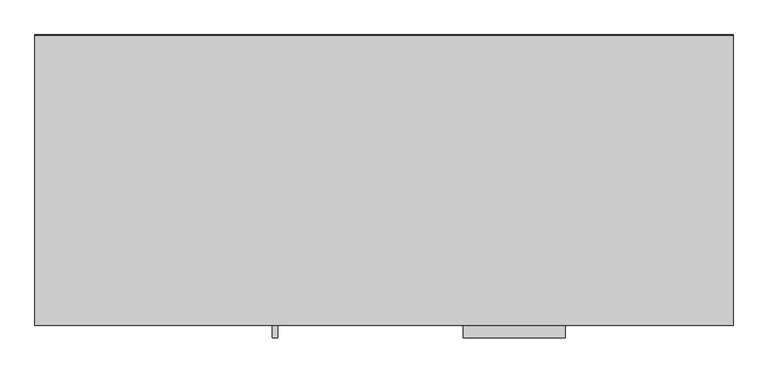
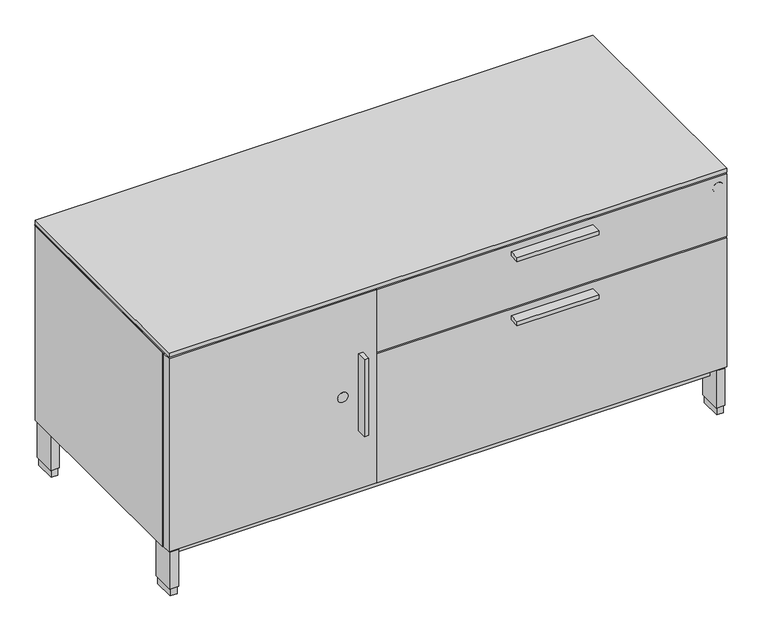
"""IFC4 building model written with IfcOpenShell, lengths in millimetres: furniture geometry."""

from ifc_helpers import new_model, si_unit, point, frame, frame_2d, origin, origin_with_axes, place, context, project, spatial, polyline, circle_curve, trimmed, segment, composite_curve, outline, extrude, faceted_brep, source, transform, mapped, element, save


def furniture_656dd87c(model_context):
    return source(origin(), model_context, "Body", "SolidModel", [
        extrude(outline(polyline([(414.782, -528.574), (414.782, -506.349), (424.307, -506.349), (424.307, -528.574), (414.782, -528.574)])), frame((0.0, 0.0, 239.6362939), z_axis=(0.0, 0.0, 1.0), x_axis=(1.0, 0.0, 0.0)), (0.0, 0.0, 1.0), 177.8),
        extrude(outline(polyline([(925.5125, -528.574), (747.7125, -528.574), (747.7125, -506.349), (925.5125, -506.349), (925.5125, -528.574)])), frame((0.0, 0.0, 379.09246), z_axis=(0.0, 0.0, 1.0), x_axis=(1.0, 0.0, 0.0)), (0.0, 0.0, 1.0), 9.525),
        extrude(outline(polyline([(925.5125, -528.574), (747.7125, -528.574), (747.7125, -506.349), (925.5125, -506.349), (925.5125, -528.574)])), frame((0.0, 0.0, 526.53946), z_axis=(0.0, 0.0, 1.0), x_axis=(1.0, 0.0, 0.0)), (0.0, 0.0, 1.0), 9.525),
        extrude(outline(polyline([(1.5875, 0.0), (1217.6125, 0.0), (1217.6125, -487.299), (1.5875, -487.299), (1.5875, 0.0)])), frame((0.0, 0.0, 550.8752), z_axis=(0.0, 0.0, 1.0), x_axis=(1.0, 0.0, 0.0)), (0.0, 0.0, 1.0), 1.8899126),
        extrude(outline(polyline([(21.2979, -5.715), (21.2979, -52.197), (6.5659, -52.197), (6.5659, -5.715), (21.2979, -5.715)])), origin_with_axes(), (0.0, 0.0, 1.0), 17.399),
        extrude(outline(polyline([(21.2979, -455.676), (21.2979, -502.158), (6.5659, -502.158), (6.5659, -455.676), (21.2979, -455.676)])), origin_with_axes(), (0.0, 0.0, 1.0), 17.399),
        extrude(outline(polyline([(1212.6341, -455.676), (1212.6341, -502.158), (1197.9021, -502.158), (1197.9021, -455.676), (1212.6341, -455.676)])), origin_with_axes(), (0.0, 0.0, 1.0), 17.399),
        extrude(outline(polyline([(1212.6341, -5.715), (1212.6341, -52.197), (1197.9021, -52.197), (1197.9021, -5.715), (1212.6341, -5.715)])), origin_with_axes(), (0.0, 0.0, 1.0), 17.399),
        extrude(outline(polyline([(23.4569, -3.556), (23.4569, -54.356), (4.4069, -54.356), (4.4069, -3.556), (23.4569, -3.556)])), frame((0.0, 0.0, 17.399), z_axis=(0.0, 0.0, 1.0), x_axis=(1.0, 0.0, 0.0)), (0.0, 0.0, 1.0), 85.8012),
        extrude(outline(polyline([(1214.7931, -3.556), (1214.7931, -54.356), (1195.7431, -54.356), (1195.7431, -3.556), (1214.7931, -3.556)])), frame((0.0, 0.0, 17.399), z_axis=(0.0, 0.0, 1.0), x_axis=(1.0, 0.0, 0.0)), (0.0, 0.0, 1.0), 85.8012),
        extrude(outline(polyline([(1214.7931, -453.517), (1214.7931, -504.317), (1195.7431, -504.317), (1195.7431, -453.517), (1214.7931, -453.517)])), frame((0.0, 0.0, 17.399), z_axis=(0.0, 0.0, 1.0), x_axis=(1.0, 0.0, 0.0)), (0.0, 0.0, 1.0), 85.8012),
        extrude(outline(polyline([(23.4569, -453.517), (23.4569, -504.317), (4.4069, -504.317), (4.4069, -453.517), (23.4569, -453.517)])), frame((0.0, 0.0, 17.399), z_axis=(0.0, 0.0, 1.0), x_axis=(1.0, 0.0, 0.0)), (0.0, 0.0, 1.0), 85.8012),
        extrude(outline(polyline([(1195.7431, -26.99766), (1195.7431, -480.87534), (23.4569, -480.87534), (23.4569, -26.99766), (1195.7431, -26.99766)])), frame((0.0, 0.0, 77.8002), z_axis=(0.0, 0.0, 1.0), x_axis=(1.0, 0.0, 0.0)), (0.0, 0.0, 1.0), 25.4),
        extrude(outline(composite_curve([segment(trimmed(circle_curve(frame_2d((329.3237, 380.5936)), 11.176), [point((329.3237, 369.4176))], [point((329.3237, 391.7696))], False, "CARTESIAN"), True, "CONTINUOUS"), segment(trimmed(circle_curve(frame_2d((329.3237, 380.5936)), 11.176), [point((329.3237, 391.7696))], [point((329.3237, 369.4176))], False, "CARTESIAN"), True, "CONTINUOUS")], self_intersect=False)), frame((0.0, -506.603, 0.0), z_axis=(0.0, 1.0, 0.0), x_axis=(0.0, 0.0, 1.0)), (0.0, 0.0, 1.0), 4.69392),
        extrude(outline(polyline([(1.5875, -487.045), (454.025, -487.045), (454.025, -506.349), (1.5875, -506.349), (1.5875, -487.045)])), frame((0.0, 0.0, 106.3752), z_axis=(0.0, 0.0, 1.0), x_axis=(1.0, 0.0, 0.0)), (0.0, 0.0, 1.0), 444.5),
        extrude(outline(polyline([(1217.6125, -487.045), (1217.6125, -506.349), (455.6125, -506.349), (455.6125, -487.045), (1217.6125, -487.045)])), frame((0.0, 0.0, 106.3752), z_axis=(0.0, 0.0, 1.0), x_axis=(1.0, 0.0, 0.0)), (0.0, 0.0, 1.0), 297.053),
        extrude(outline(polyline([(1217.6125, -487.045), (1217.6125, -506.349), (455.6125, -506.349), (455.6125, -487.045), (1217.6125, -487.045)])), frame((0.0, 0.0, 406.6032), z_axis=(0.0, 0.0, 1.0), x_axis=(1.0, 0.0, 0.0)), (0.0, 0.0, 1.0), 144.272),
        extrude(outline(composite_curve([segment(trimmed(circle_curve(frame_2d((526.81632, 1198.5625)), 11.176), [point((526.81632, 1209.7385))], [point((526.81632, 1187.3865))], False, "CARTESIAN"), True, "CONTINUOUS"), segment(trimmed(circle_curve(frame_2d((526.81632, 1198.5625)), 11.176), [point((526.81632, 1187.3865))], [point((526.81632, 1209.7385))], False, "CARTESIAN"), True, "CONTINUOUS")], self_intersect=False)), frame((0.0, -506.603, 0.0), z_axis=(0.0, 1.0, 0.0), x_axis=(0.0, 0.0, 1.0)), (0.0, 0.0, 1.0), 4.69392),
        extrude(outline(polyline([(1217.6125, -506.349), (1.5875, -506.349), (1.5875, -1.524), (1217.6125, -1.524), (1217.6125, -506.349)])), frame((0.0, 0.0, 554.0502), z_axis=(0.0, 0.0, 1.0), x_axis=(1.0, 0.0, 0.0)), (0.0, 0.0, 1.0), 9.779),
        faceted_brep([(1217.6125, -1.524, 550.8752), (1217.6125, -1.524, 103.2002), (1.5875, -1.524, 103.2002), (1.5875, -1.524, 550.8752), (1.5875, -483.2858, 550.8752), (1217.6125, -483.2858, 550.8752), (1.5875, -483.2858, 103.2002), (1217.6125, -483.2858, 103.2002), (1198.3085, -483.2858, 103.2002), (1198.3085, -20.828, 103.2002), (20.8915, -20.828, 103.2002), (20.8915, -483.2858, 103.2002), (1198.3085, -20.828, 531.5712), (20.8915, -20.828, 531.5712), (1198.3085, -483.2858, 531.5712), (20.8915, -483.2858, 531.5712)], [[[0, 1, 2, 3]], [[0, 3, 4, 5]], [[3, 2, 6, 4]], [[2, 1, 7, 8, 9, 10, 11, 6]], [[1, 0, 5, 7]], [[12, 13, 10, 9]], [[13, 12, 14, 15]], [[10, 13, 15, 11]], [[12, 9, 8, 14]], [[5, 4, 6, 11, 15, 14, 8, 7]]]),
    ])


if __name__ == "__main__":
    model = new_model("IFC4")
    model_context = context("Model", 3, world=origin())
    ifc_project = project(units=[si_unit("LENGTHUNIT", "METRE", prefix="MILLI")], contexts=[model_context])
    site = spatial("IfcSite", under=ifc_project)
    building = spatial("IfcBuilding", under=site)
    placement = place(None, origin())
    furniture_shape = furniture_656dd87c(model_context)
    element("IfcFurniture", 1, at=placement, inside=building, context=model_context, shape_type="MappedRepresentation", body=[
        mapped(furniture_shape, transform((0.0, 0.0, 0.0), x_axis=(1.0, 0.0, 0.0), y_axis=(0.0, 1.0, 0.0), z_axis=(0.0, 0.0, 1.0))),
    ])
    save(model, "model.ifc")
